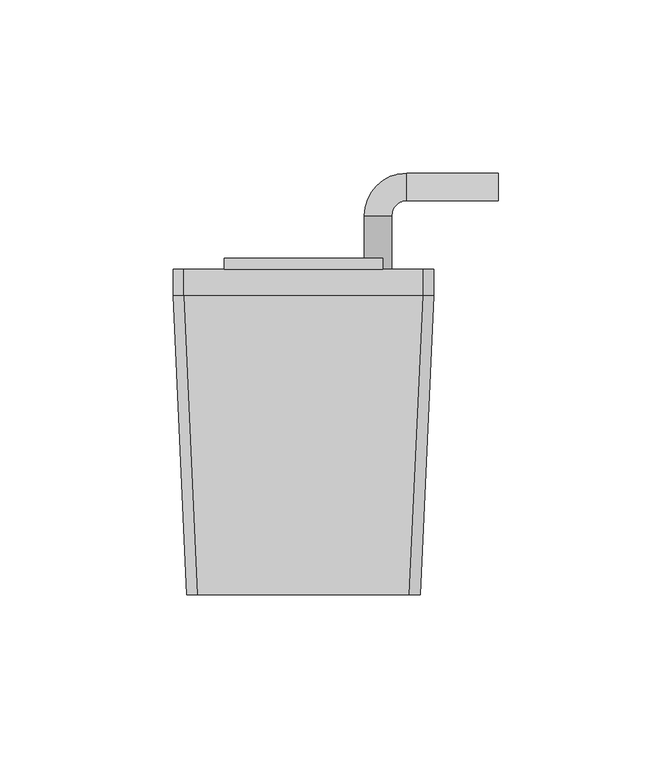
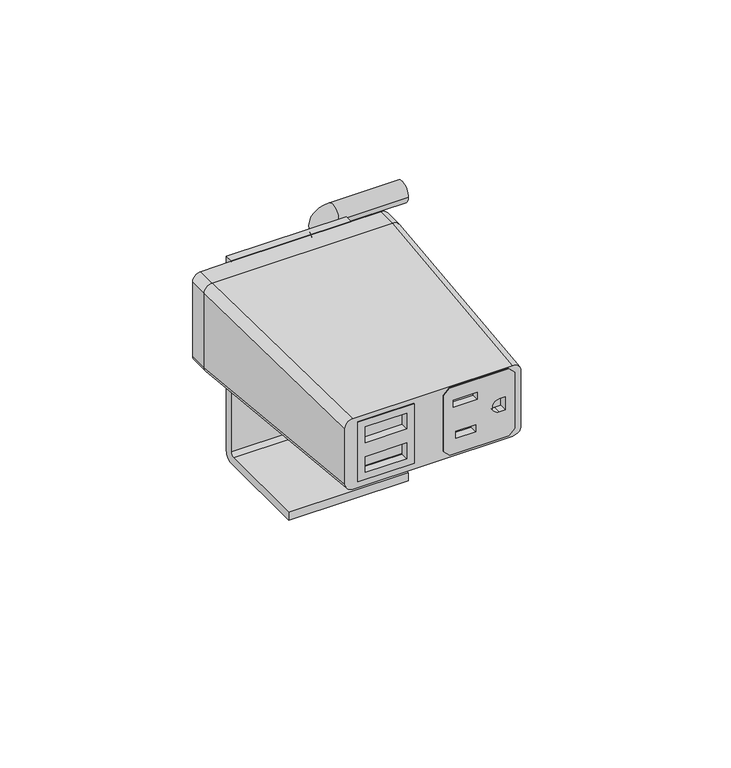
"""IFC4 building model written with IfcOpenShell, lengths in millimetres: furniture geometry."""

from ifc_helpers import new_model, si_unit, point, frame, frame_2d, origin, place, context, project, spatial, polyline, circle_curve, ellipse_curve, trimmed, segment, composite_curve, outline, extrude, source, transform, mapped, element, save
from ifc_brep_helpers import plane_surface, cylinder_surface, revolved_surface, extruded_surface, advanced_brep


def furniture_c013498e(model_context):
    return source(origin(), model_context, "Body", "SolidModel", [
        extrude(outline(polyline([(770.1799134, -7.143469), (770.1799134, -28.6985163), (746.1200868, -28.6985163), (746.1200868, -7.143469), (770.1799134, -7.143469)]), holes=[polyline([(760.9899925, -25.8584916), (767.3399205, -25.8584916), (767.3399205, -9.9834931), (760.9899925, -9.9834931), (760.9899925, -25.8584916)]), polyline([(748.9600786, -25.8584916), (755.3100078, -25.8584916), (755.3100078, -9.9834931), (748.9600786, -9.9834931), (748.9600786, -25.8584916)])]), frame((0.0, -88.4452555, 0.0), z_axis=(0.0, 1.0, 0.0), x_axis=(0.0, 0.0, 1.0)), (0.0, 0.0, 1.0), 2.932688),
        extrude(outline(polyline([(769.4010888, 4.0957501), (746.795342, 4.0957501), (744.509368, 6.3817502), (744.509368, 28.9877496), (746.795342, 31.2737497), (769.4010888, 31.2737497), (771.6870639, 28.9877496), (771.6870639, 6.3817502), (769.4010888, 4.0957501)]), holes=[polyline([(766.251524, 7.8041498), (766.251524, 17.0497496), (763.4067576, 17.0497496), (763.4067576, 7.8041498), (766.251524, 7.8041498)]), polyline([(753.500867, 16.3893498), (750.6560995, 16.3893498), (750.6560995, 8.71855), (753.500867, 8.71855), (753.500867, 16.3893498)]), composite_curve([segment(polyline([(755.4820449, 27.7177508), (755.4820449, 25.414376)]), True, "CONTINUOUS"), segment(trimmed(circle_curve(frame_2d((758.098216, 25.414376)), 2.616171), [point((755.4820449, 25.414376))], [point((760.714387, 25.414376))], True, "CARTESIAN"), True, "CONTINUOUS"), segment(polyline([(760.714387, 25.414376), (760.714387, 27.7177508), (755.4820449, 27.7177508)]), True, "CONTINUOUS")], self_intersect=False)]), frame((0.0, -88.4452555, 0.0), z_axis=(0.0, 1.0, 0.0), x_axis=(0.0, 0.0, 1.0)), (0.0, 0.0, 1.0), 2.932688),
        advanced_brep(
        [(-30.6070003, -88.4452555, 772.3222154), (-33.6549997, -88.4452555, 769.2742161), (-33.6549997, -88.4452555, 746.9222158), (-30.6070003, -88.4452555, 743.8742165), (30.6070003, -88.4452555, 743.8742165), (33.6549997, -88.4452555, 746.9222158), (33.6549997, -88.4452555, 769.2742161), (30.6070003, -88.4452555, 772.3222154), (-7.143469, -88.4452555, 770.1799134), (-7.143469, -88.4452555, 746.1200868), (-28.6985163, -88.4452555, 746.1200868), (-28.6985163, -88.4452555, 770.1799134), (4.0957501, -88.4452555, 746.795342), (4.0957501, -88.4452555, 769.4010888), (6.3817502, -88.4452555, 771.6870639), (28.9877496, -88.4452555, 771.6870639), (31.2737497, -88.4452555, 769.4010888), (31.2737497, -88.4452555, 746.795342), (28.9877496, -88.4452555, 744.509368), (6.3817502, -88.4452555, 744.509368), (-34.5440011, -2.0852583, 776.1957163), (34.5440011, -2.0852583, 776.1957163), (37.5920005, -2.0852583, 773.1477169), (37.5920005, -2.0852583, 743.0487155), (34.5440011, -2.0852583, 740.0007162), (-34.5440011, -2.0852583, 740.0007162), (-37.5920005, -2.0852583, 743.0487155), (-37.5920005, -2.0852583, 773.1477169), (-7.143469, -81.347006, 746.1200868), (-7.143469, -81.347006, 770.1799134), (-28.6985163, -81.347006, 770.1799134), (-28.6985163, -81.347006, 746.1200868), (4.0957501, -81.347006, 769.4010888), (4.0957501, -81.347006, 746.795342), (6.3817502, -81.347006, 744.509368), (28.9877496, -81.347006, 744.509368), (31.2737497, -81.347006, 746.795342), (31.2737497, -81.347006, 769.4010888), (28.9877496, -81.347006, 771.6870639), (6.3817502, -81.347006, 771.6870639)],
        [
            (0, 1, circle_curve(frame((-30.6070003, -88.4452555, 769.2742161), z_axis=(0.0, -1.0, 0.0), x_axis=(1.0, 0.0, 0.0)), 3.0479994)),
            (1, 2),
            (2, 3, circle_curve(frame((-30.6070003, -88.4452555, 746.9222158), z_axis=(0.0, -1.0, 0.0), x_axis=(1.0, 0.0, 0.0)), 3.0479994)),
            (3, 4),
            (4, 5, circle_curve(frame((30.6070003, -88.4452555, 746.9222158), z_axis=(0.0, -1.0, 0.0), x_axis=(1.0, 0.0, 0.0)), 3.0479994)),
            (5, 6),
            (6, 7, circle_curve(frame((30.6070003, -88.4452555, 769.2742161), z_axis=(0.0, -1.0, 0.0), x_axis=(1.0, 0.0, 0.0)), 3.0479994)),
            (7, 0),
            (8, 9),
            (9, 10),
            (10, 11),
            (11, 8),
            (12, 13),
            (13, 14),
            (14, 15),
            (15, 16),
            (16, 17),
            (17, 18),
            (18, 19),
            (19, 12),
            (20, 21),
            (21, 22, circle_curve(frame((34.5440011, -2.0852583, 773.1477169), z_axis=(0.0, 1.0, 0.0), x_axis=(1.0, 0.0, 0.0)), 3.0479994)),
            (22, 23),
            (23, 24, circle_curve(frame((34.5440011, -2.0852583, 743.0487155), z_axis=(0.0, 1.0, 0.0), x_axis=(1.0, 0.0, 0.0)), 3.0479994)),
            (24, 25),
            (25, 26, circle_curve(frame((-34.5440011, -2.0852583, 743.0487155), z_axis=(0.0, 1.0, 0.0), x_axis=(1.0, 0.0, 0.0)), 3.0479994)),
            (26, 27),
            (27, 20, circle_curve(frame((-34.5440011, -2.0852583, 773.1477169), z_axis=(0.0, 1.0, 0.0), x_axis=(1.0, 0.0, 0.0)), 3.0479994)),
            (0, 20),
            (27, 1),
            (26, 2),
            (25, 3),
            (24, 4),
            (23, 5),
            (22, 6),
            (21, 7),
            (28, 29),
            (29, 30),
            (30, 31),
            (31, 28),
            (32, 33),
            (33, 34),
            (34, 35),
            (35, 36),
            (36, 37),
            (37, 38),
            (38, 39),
            (39, 32),
            (28, 9),
            (8, 29),
            (11, 30),
            (10, 31),
            (32, 13),
            (12, 33),
            (19, 34),
            (18, 35),
            (17, 36),
            (16, 37),
            (15, 38),
            (14, 39),
        ],
        [
            plane_surface(frame((0.0, -88.4452555, 758.098216), z_axis=(0.0, -1.0, 0.0), x_axis=(-1.0, 0.0, 0.0))),
            plane_surface(frame((0.0, -2.0852583, 758.0982162), z_axis=(0.0, 1.0, 0.0), x_axis=(-1.0, 0.0, 0.0))),
            extruded_surface(trimmed(circle_curve(frame((-34.5440011, -2.0852583, 773.1477169), z_axis=(0.0, -1.0, 0.0), x_axis=(1.0, 0.0, 0.0)), 3.0479994), [point((-34.5440011, -2.0852583, 776.1957163))], [point((-37.5920005, -2.0852583, 773.1477169))], True, "CARTESIAN"), (3.9370008000000034, -86.3599972, -3.873500799999988), 86.53642643494592),
            plane_surface(frame((-37.5920005, -2.0852583, 758.0982162), z_axis=(-0.9989624728470855, -0.04554094688559129, 0.0), x_axis=(0.0, 0.0, -1.0))),
            extruded_surface(trimmed(circle_curve(frame((-34.5440011, -2.0852583, 743.0487155), z_axis=(0.0, -1.0, 0.0), x_axis=(1.0, 0.0, 0.0)), 3.0479994), [point((-37.5920005, -2.0852583, 743.0487155))], [point((-34.5440011, -2.0852583, 740.0007162))], True, "CARTESIAN"), (3.9370008000000034, -86.3599972, 3.873500300000046), 86.53642641256518),
            plane_surface(frame((0.0, -2.0852583, 740.0007162), z_axis=(0.0, -0.04480789659317986, -0.998995621813677), x_axis=(1.0, 0.0, 0.0))),
            extruded_surface(trimmed(circle_curve(frame((34.5440011, -2.0852583, 743.0487155), z_axis=(0.0, -1.0, 0.0), x_axis=(1.0, 0.0, 0.0)), 3.0479994), [point((34.5440011, -2.0852583, 740.0007162))], [point((37.5920005, -2.0852583, 743.0487155))], True, "CARTESIAN"), (-3.9370008000000034, -86.3599972, 3.873500300000046), 86.53642641256518),
            plane_surface(frame((37.5920005, -2.0852583, 758.0982162), z_axis=(0.9989624728470853, -0.045540946885595096, 0.0), x_axis=(0.0, 0.0, 1.0))),
            extruded_surface(trimmed(circle_curve(frame((34.5440011, -2.0852583, 773.1477169), z_axis=(0.0, -1.0, 0.0), x_axis=(1.0, 0.0, 0.0)), 3.0479994), [point((37.5920005, -2.0852583, 773.1477169))], [point((34.5440011, -2.0852583, 776.1957163))], True, "CARTESIAN"), (-3.9370008000000034, -86.3599972, -3.873500799999988), 86.53642643494592),
            plane_surface(frame((0.0, -2.0852583, 776.1957163), z_axis=(0.0, -0.044807903147434755, 0.9989956215196992), x_axis=(-1.0, 0.0, 0.0))),
            plane_surface(frame((-28.6985163, -81.347006, 746.1200868), z_axis=(0.0, -1.0, 0.0), x_axis=(-1.0, 0.0, 0.0))),
            plane_surface(frame((-7.143469, -81.347006, 770.1799134), z_axis=(-1.0, 0.0, 0.0), x_axis=(0.0, -1.0, 0.0))),
            plane_surface(frame((-28.6985163, -81.347006, 770.1799134), z_axis=(0.0, 0.0, -1.0), x_axis=(0.0, -1.0, 0.0))),
            plane_surface(frame((-28.6985163, -81.347006, 746.1200868), z_axis=(1.0, 0.0, 0.0), x_axis=(0.0, -1.0, 0.0))),
            plane_surface(frame((-7.143469, -81.347006, 746.1200868), z_axis=(0.0, 0.0, 1.0), x_axis=(0.0, -1.0, 0.0))),
            plane_surface(frame((4.0957501, -81.347006, 746.795342), z_axis=(1.0, 0.0, 0.0), x_axis=(0.0, -1.0, 0.0))),
            plane_surface(frame((6.3817502, -81.347006, 744.509368), z_axis=(0.7071027420791393, 0.0, 0.707110820270884), x_axis=(0.0, -1.0, 0.0))),
            plane_surface(frame((28.9877496, -81.347006, 744.509368), z_axis=(0.0, 0.0, 1.0), x_axis=(0.0, -1.0, 0.0))),
            plane_surface(frame((31.2737497, -81.347006, 746.795342), z_axis=(-0.7071027420791182, 0.0, 0.7071108202709051), x_axis=(0.0, -1.0, 0.0))),
            plane_surface(frame((31.2737497, -81.347006, 769.4010888), z_axis=(-1.0, 0.0, 0.0), x_axis=(0.0, -1.0, 0.0))),
            plane_surface(frame((28.9877496, -81.347006, 771.6870639), z_axis=(-0.7071029176939245, 0.0, -0.7071106446580614), x_axis=(0.0, -1.0, 0.0))),
            plane_surface(frame((6.3817502, -81.347006, 771.6870639), z_axis=(0.0, 0.0, -1.0), x_axis=(0.0, -1.0, 0.0))),
            plane_surface(frame((4.0957501, -81.347006, 769.4010888), z_axis=(0.7071029176939237, 0.0, -0.7071106446580621), x_axis=(0.0, -1.0, 0.0))),
        ],
        [
            (0, [[1, 2, 3, 4, 5, 6, 7, 8], [9, 10, 11, 12], [13, 14, 15, 16, 17, 18, 19, 20]]),
            (1, [[21, 22, 23, 24, 25, 26, 27, 28]]),
            (2, [[-1, 29, -28, 30]]),
            (3, [[-2, -30, -27, 31]]),
            (4, [[-3, -31, -26, 32]]),
            (5, [[-4, -32, -25, 33]]),
            (6, [[-5, -33, -24, 34]]),
            (7, [[-6, -34, -23, 35]]),
            (8, [[-7, -35, -22, 36]]),
            (9, [[-8, -36, -21, -29]]),
            (10, [[37, 38, 39, 40]]),
            (10, [[41, 42, 43, 44, 45, 46, 47, 48]]),
            (11, [[-37, 49, -9, 50]]),
            (12, [[-38, -50, -12, 51]]),
            (13, [[-39, -51, -11, 52]]),
            (14, [[-40, -52, -10, -49]]),
            (15, [[-41, 53, -13, 54]]),
            (16, [[-42, -54, -20, 55]]),
            (17, [[-43, -55, -19, 56]]),
            (18, [[-44, -56, -18, 57]]),
            (19, [[-45, -57, -17, 58]]),
            (20, [[-46, -58, -16, 59]]),
            (21, [[-47, -59, -15, 60]]),
            (22, [[-48, -60, -14, -53]]),
        ],
    ),
        advanced_brep(
        [(22.8600009, 8.7097421, 776.390817), (-22.8600009, 8.7097421, 776.390817), (-22.8600009, 5.5347423, 776.390817), (22.8600009, 5.5347423, 776.390817), (22.8600009, 8.7097421, 766.2169016), (17.5720243, 8.7097421, 762.4828088), (22.8600009, 8.7097421, 758.748716), (22.8600009, 8.7097421, 697.7380002), (-22.8600009, 8.7097421, 697.7380002), (-22.8600009, 5.5347406, 694.5629986), (-22.8600009, -32.4382589, 694.5629986), (-22.8600009, -32.4382589, 697.7380002), (-22.8600009, 4.0107421, 697.7380002), (-22.8600009, 5.5347423, 699.2620004), (-22.8600009, 5.5347423, 735.0759992), (-22.8600009, 4.0107415, 736.6), (-22.8600009, -26.3422579, 736.6), (-22.8600009, -26.3422579, 739.7750001), (-22.8600009, 5.5347418, 739.7750001), (-22.8600009, 5.5347423, 740.0007162), (-22.8600009, 5.5347418, 776.1957163), (22.8600009, 5.5347423, 776.1957163), (22.8600009, 5.5347423, 739.7750001), (22.8600009, 5.5347423, 740.0007162), (22.8600009, 5.5347418, 766.2169016), (22.8600009, 5.5347423, 699.2620004), (22.8600009, 4.0107421, 697.7380002), (22.8600009, -32.4382589, 697.7380002), (22.8600009, -32.4382589, 694.5629986), (22.8600009, 5.5347406, 694.5629986), (22.8600009, 5.5347418, 758.748716), (22.8600009, -26.3422579, 739.7750001), (22.8600009, -26.3422579, 736.6), (22.8600009, 4.0107415, 736.6), (22.8600009, 5.5347423, 735.0759992), (-34.5440011, -2.0852583, 740.0007162), (34.5440011, -2.0852583, 740.0007162), (37.5920005, -2.0852583, 743.0487155), (37.5920005, -2.0852583, 773.1477169), (34.5440011, -2.0852583, 776.1957163), (-34.5440011, -2.0852583, 776.1957163), (-37.5920005, -2.0852583, 773.1477169), (-37.5920005, -2.0852583, 743.0487155), (-34.5440011, 5.5347418, 740.0007162), (-37.5920005, 5.5347418, 743.0487155), (-37.5920005, 5.5347418, 773.1477169), (-34.5440011, 5.5347418, 776.1957163), (34.5440011, 5.5347418, 776.1957163), (37.5920005, 5.5347418, 773.1477169), (37.5920005, 5.5347418, 743.0487155), (34.5440011, 5.5347418, 740.0007162), (25.4968222, 5.5347418, 762.4828088), (56.2588798, 33.2236057, 762.4828088), (56.2588798, 25.2988078, 762.4828088), (29.7883628, 33.2236057, 762.4828088), (29.7883628, 25.2988078, 762.4828088), (17.5720243, 21.0072671, 762.4828088), (25.4968222, 21.0072671, 762.4828088)],
        [
            (0, 1),
            (1, 2),
            (2, 3),
            (3, 0),
            (0, 4),
            (4, 5, circle_curve(frame((21.5344232, 8.7097421, 762.4828088), z_axis=(0.0, -1.0, 0.0), x_axis=(1.0, 0.0, 0.0)), 3.9623989)),
            (5, 6, circle_curve(frame((21.5344232, 8.7097421, 762.4828088), z_axis=(0.0, -1.0, 0.0), x_axis=(1.0, 0.0, 0.0)), 3.9623989)),
            (6, 7),
            (7, 8),
            (8, 1),
            (8, 9, circle_curve(frame((-22.8600009, 5.5347406, 697.7380002), z_axis=(-1.0, 0.0, 0.0), x_axis=(0.0, 1.0, 0.0)), 3.1750015)),
            (9, 10),
            (10, 11),
            (11, 12),
            (12, 13, circle_curve(frame((-22.8600009, 4.0107421, 699.2620004), z_axis=(1.0, 0.0, 0.0), x_axis=(0.0, 1.0, 0.0)), 1.5240002)),
            (13, 14),
            (14, 15, circle_curve(frame((-22.8600009, 4.0107415, 735.0759992), z_axis=(1.0, 0.0, 0.0), x_axis=(0.0, 1.0, 0.0)), 1.5240008)),
            (15, 16),
            (16, 17),
            (17, 18),
            (18, 19),
            (19, 20),
            (20, 2),
            (20, 21),
            (21, 3),
            (18, 22),
            (22, 23),
            (23, 19),
            (21, 24),
            (24, 4),
            (25, 26, circle_curve(frame((22.8600009, 4.0107421, 699.2620004), z_axis=(-1.0, 0.0, 0.0), x_axis=(0.0, 1.0, 0.0)), 1.5240002)),
            (26, 27),
            (27, 28),
            (28, 29),
            (29, 7, circle_curve(frame((22.8600009, 5.5347406, 697.7380002), z_axis=(1.0, 0.0, 0.0), x_axis=(0.0, 1.0, 0.0)), 3.1750015)),
            (6, 30),
            (30, 23),
            (22, 31),
            (31, 32),
            (32, 33),
            (33, 34, circle_curve(frame((22.8600009, 4.0107415, 735.0759992), z_axis=(-1.0, 0.0, 0.0), x_axis=(0.0, 1.0, 0.0)), 1.5240008)),
            (34, 25),
            (13, 25),
            (34, 14),
            (33, 15),
            (32, 16),
            (31, 17),
            (29, 9),
            (28, 10),
            (27, 11),
            (26, 12),
            (35, 36),
            (36, 37, circle_curve(frame((34.5440011, -2.0852583, 743.0487155), z_axis=(0.0, -1.0, 0.0), x_axis=(-1.0, 0.0, 0.0)), 3.0479994)),
            (37, 38),
            (38, 39, circle_curve(frame((34.5440011, -2.0852583, 773.1477169), z_axis=(0.0, -1.0, 0.0), x_axis=(-1.0, 0.0, 0.0)), 3.0479994)),
            (39, 40),
            (40, 41, circle_curve(frame((-34.5440011, -2.0852583, 773.1477169), z_axis=(0.0, -1.0, 0.0), x_axis=(-1.0, 0.0, 0.0)), 3.0479994)),
            (41, 42),
            (42, 35, circle_curve(frame((-34.5440011, -2.0852583, 743.0487155), z_axis=(0.0, -1.0, 0.0), x_axis=(-1.0, 0.0, 0.0)), 3.0479994)),
            (43, 44, circle_curve(frame((-34.5440011, 5.5347418, 743.0487155), z_axis=(0.0, 1.0, 0.0), x_axis=(-1.0, 0.0, 0.0)), 3.0479994)),
            (44, 45),
            (45, 46, circle_curve(frame((-34.5440011, 5.5347418, 773.1477169), z_axis=(0.0, 1.0, 0.0), x_axis=(-1.0, 0.0, 0.0)), 3.0479994)),
            (46, 20),
            (19, 43),
            (47, 48, circle_curve(frame((34.5440011, 5.5347418, 773.1477169), z_axis=(0.0, 1.0, 0.0), x_axis=(-1.0, 0.0, 0.0)), 3.0479994)),
            (48, 49),
            (49, 50, circle_curve(frame((34.5440011, 5.5347418, 743.0487155), z_axis=(0.0, 1.0, 0.0), x_axis=(-1.0, 0.0, 0.0)), 3.0479994)),
            (50, 23),
            (30, 51, circle_curve(frame((21.5344232, 5.5347418, 762.4828088), z_axis=(0.0, -1.0, 0.0), x_axis=(1.0, 0.0, 0.0)), 3.9623989)),
            (51, 24, circle_curve(frame((21.5344232, 5.5347418, 762.4828088), z_axis=(0.0, -1.0, 0.0), x_axis=(1.0, 0.0, 0.0)), 3.9623989)),
            (21, 47),
            (35, 43),
            (50, 36),
            (49, 37),
            (48, 38),
            (47, 39),
            (46, 40),
            (45, 41),
            (44, 42),
            (52, 53, circle_curve(frame((56.2588798, 29.2612068, 762.4828088), z_axis=(1.0, 0.0, 0.0), x_axis=(0.0, -1.0, 0.0)), 3.9623989)),
            (53, 52, circle_curve(frame((56.2588798, 29.2612068, 762.4828088), z_axis=(1.0, 0.0, 0.0), x_axis=(0.0, -1.0, 0.0)), 3.9623989)),
            (52, 54),
            (54, 55, circle_curve(frame((29.7883628, 29.2612068, 762.4828088), z_axis=(1.0, 0.0, 0.0), x_axis=(0.0, -1.0, 0.0)), 3.9623989)),
            (55, 53),
            (55, 54, circle_curve(frame((29.7883628, 29.2612068, 762.4828088), z_axis=(1.0, 0.0, 0.0), x_axis=(0.0, -1.0, 0.0)), 3.9623989)),
            (54, 56, circle_curve(frame((29.7883628, 21.0072671, 762.4828088), z_axis=(0.0, 0.0, 1.0), x_axis=(0.0, 1.0, 0.0)), 12.2163386)),
            (56, 57, circle_curve(frame((21.5344232, 21.0072671, 762.4828088), z_axis=(0.0, 1.0, 0.0), x_axis=(1.0, 0.0, 0.0)), 3.9623989)),
            (57, 55, circle_curve(frame((29.7883628, 21.0072671, 762.4828088), z_axis=(0.0, 0.0, -1.0), x_axis=(0.0, 1.0, 0.0)), 4.2915407)),
            (57, 56, circle_curve(frame((21.5344232, 21.0072671, 762.4828088), z_axis=(0.0, 1.0, 0.0), x_axis=(1.0, 0.0, 0.0)), 3.9623989)),
            (56, 5),
            (51, 57),
        ],
        [
            plane_surface(frame((-22.8600009, 8.7097421, 776.390817), z_axis=(0.0, 0.0, 1.0), x_axis=(-1.0, 0.0, 0.0))),
            plane_surface(frame((22.8600009, 8.7097421, 776.390817), z_axis=(0.0, 1.0, 0.0), x_axis=(0.0, 0.0, -1.0))),
            plane_surface(frame((-22.8600009, 8.7097421, 776.390817), z_axis=(-1.0, 0.0, 0.0), x_axis=(0.0, 0.0, -1.0))),
            plane_surface(frame((-22.8600009, 5.5347423, 776.390817), z_axis=(0.0, -1.0, 0.0), x_axis=(0.0, 0.0, -1.0))),
            plane_surface(frame((22.8600009, 5.5347423, 776.390817), z_axis=(1.0, 0.0, 0.0), x_axis=(0.0, 0.0, -1.0))),
            plane_surface(frame((-22.8600009, 5.5347423, 699.2620004), z_axis=(0.0, -1.0, 0.0), x_axis=(1.0, 0.0, 0.0))),
            revolved_surface(polyline([(22.8600009, 5.5347423, 735.0759992), (-22.8600009, 5.5347423, 735.0759992)]), (-22.8600009, 4.0107415, 735.0759992), (1.0, 0.0, 0.0)),
            plane_surface(frame((-22.8600009, 4.0107415, 736.6), z_axis=(0.0, 0.0, -1.0), x_axis=(1.0, 0.0, 0.0))),
            plane_surface(frame((-22.8600009, -26.3422579, 736.6), z_axis=(0.0, -1.0, 0.0), x_axis=(1.0, 0.0, 0.0))),
            plane_surface(frame((-22.8600009, -26.3422579, 739.7750001), z_axis=(0.0, 0.0, 1.0), x_axis=(1.0, 0.0, 0.0))),
            cylinder_surface(frame((-22.8600009, 5.5347406, 697.7380002), z_axis=(-1.0, 0.0, 0.0), x_axis=(0.0, 1.0, 0.0)), 3.1750015),
            plane_surface(frame((-22.8600009, 5.5347406, 694.5629986), z_axis=(0.0, 0.0, -1.0), x_axis=(1.0, 0.0, 0.0))),
            plane_surface(frame((-22.8600009, -32.4382589, 694.5629986), z_axis=(0.0, -1.0, 0.0), x_axis=(1.0, 0.0, 0.0))),
            plane_surface(frame((-22.8600009, -32.4382589, 697.7380002), z_axis=(0.0, 0.0, 1.0), x_axis=(1.0, 0.0, 0.0))),
            revolved_surface(polyline([(22.8600009, 5.5347423, 699.2620004), (-22.8600009, 5.5347423, 699.2620004)]), (-22.8600009, 4.0107421, 699.2620004), (1.0, 0.0, 0.0)),
            plane_surface(frame((0.0, -2.0852583, 736.6), z_axis=(0.0, -1.0, 0.0), x_axis=(0.0, 0.0, 1.0))),
            plane_surface(frame((0.0, 5.5347418, 736.6), z_axis=(0.0, 1.0, 0.0), x_axis=(0.0, 0.0, 1.0))),
            plane_surface(frame((-34.5440011, -2.0852583, 740.0007162), z_axis=(0.0, 0.0, -1.0), x_axis=(0.0, 1.0, 0.0))),
            cylinder_surface(frame((34.5440011, -2.0852583, 743.0487155), z_axis=(0.0, -1.0, 0.0), x_axis=(-1.0, 0.0, 0.0)), 3.0479994),
            plane_surface(frame((37.5920005, -2.0852583, 743.0487155), z_axis=(1.0, 0.0, 0.0), x_axis=(0.0, 1.0, 0.0))),
            cylinder_surface(frame((34.5440011, -2.0852583, 773.1477169), z_axis=(0.0, -1.0, 0.0), x_axis=(-1.0, 0.0, 0.0)), 3.0479994),
            plane_surface(frame((34.5440011, -2.0852583, 776.1957163), z_axis=(0.0, 0.0, 1.0), x_axis=(0.0, 1.0, 0.0))),
            cylinder_surface(frame((-34.5440011, -2.0852583, 773.1477169), z_axis=(0.0, -1.0, 0.0), x_axis=(-1.0, 0.0, 0.0)), 3.0479994),
            plane_surface(frame((-37.5920005, -2.0852583, 773.1477169), z_axis=(-1.0, 0.0, 0.0), x_axis=(0.0, 1.0, 0.0))),
            cylinder_surface(frame((-34.5440011, -2.0852583, 743.0487155), z_axis=(0.0, -1.0, 0.0), x_axis=(-1.0, 0.0, 0.0)), 3.0479994),
            plane_surface(frame((56.2588798, 29.2612068, 736.6), z_axis=(1.0, 0.0, 0.0), x_axis=(0.0, 0.0, 1.0))),
            cylinder_surface(frame((56.2588798, 29.2612068, 762.4828088), z_axis=(1.0, 0.0, 0.0), x_axis=(0.0, -1.0, 0.0)), 3.9623989),
            revolved_surface(trimmed(ellipse_curve(frame((29.7883628, 29.2612068, 762.4828088), z_axis=(1.0, 0.0, 0.0), x_axis=(0.0, -1.0, 0.0)), 3.9623989, 3.9623989), [point((29.7883628, 33.2236057, 762.4828088))], [point((29.7883628, 25.2988078, 762.4828088))], True, "CARTESIAN"), (29.7883628, 21.0072671, 736.6), (0.0, 0.0, 1.0)),
            revolved_surface(trimmed(ellipse_curve(frame((29.7883628, 29.2612068, 762.4828088), z_axis=(1.0, 0.0, 0.0), x_axis=(0.0, -1.0, 0.0)), 3.9623989, 3.9623989), [point((29.7883628, 25.2988078, 762.4828088))], [point((29.7883628, 33.2236057, 762.4828088))], True, "CARTESIAN"), (29.7883628, 21.0072671, 736.6), (0.0, 0.0, 1.0)),
            cylinder_surface(frame((21.5344232, 21.0072671, 762.4828088), z_axis=(0.0, 1.0, 0.0), x_axis=(1.0, 0.0, 0.0)), 3.9623989),
        ],
        [
            (0, [[1, 2, 3, 4]]),
            (1, [[-1, 5, 6, 7, 8, 9, 10]]),
            (2, [[-2, -10, 11, 12, 13, 14, 15, 16, 17, 18, 19, 20, 21, 22, 23]]),
            (3, [[-3, -23, 24, 25]]),
            (3, [[26, 27, 28, -21]]),
            (4, [[-4, -25, 29, 30, -5]]),
            (4, [[31, 32, 33, 34, 35, -8, 36, 37, -27, 38, 39, 40, 41, 42]]),
            (5, [[-16, 43, -42, 44]]),
            (6, [[-17, -44, -41, 45]]),
            (7, [[-18, -45, -40, 46]]),
            (8, [[-19, -46, -39, 47]]),
            (9, [[-20, -47, -38, -26]]),
            (10, [[-11, -9, -35, 48]]),
            (11, [[-12, -48, -34, 49]]),
            (12, [[-13, -49, -33, 50]]),
            (13, [[-14, -50, -32, 51]]),
            (14, [[-15, -51, -31, -43]]),
            (15, [[52, 53, 54, 55, 56, 57, 58, 59]]),
            (16, [[60, 61, 62, 63, -22, 64]]),
            (16, [[65, 66, 67, 68, -37, 69, 70, -29, 71]]),
            (17, [[-52, 72, -64, -28, -68, 73]]),
            (18, [[-53, -73, -67, 74]]),
            (19, [[-54, -74, -66, 75]]),
            (20, [[-55, -75, -65, 76]]),
            (21, [[-56, -76, -71, -24, -63, 77]]),
            (22, [[-57, -77, -62, 78]]),
            (23, [[-58, -78, -61, 79]]),
            (24, [[-59, -79, -60, -72]]),
            (25, [[80, 81]]),
            (26, [[-80, 82, 83, 84]]),
            (26, [[-81, -84, 85, -82]]),
            (27, [[-83, 86, 87, 88]]),
            (28, [[-85, -88, 89, -86]]),
            (29, [[-87, 90, -6, -30, -70, 91]]),
            (29, [[-89, -91, -69, -36, -7, -90]]),
        ],
    ),
    ])


if __name__ == "__main__":
    model = new_model("IFC4")
    model_context = context("Model", 3, world=origin())
    ifc_project = project(units=[si_unit("LENGTHUNIT", "METRE", prefix="MILLI")], contexts=[model_context])
    site = spatial("IfcSite", under=ifc_project)
    building = spatial("IfcBuilding", under=site)
    placement = place(None, origin())
    furniture_shape = furniture_c013498e(model_context)
    element("IfcFurniture", 1, at=placement, inside=building, context=model_context, shape_type="MappedRepresentation", body=[
        mapped(furniture_shape, transform((0.0, 0.0, 0.0), x_axis=(1.0, 0.0, 0.0), y_axis=(0.0, 1.0, 0.0), z_axis=(0.0, 0.0, 1.0))),
    ])
    save(model, "model.ifc")
